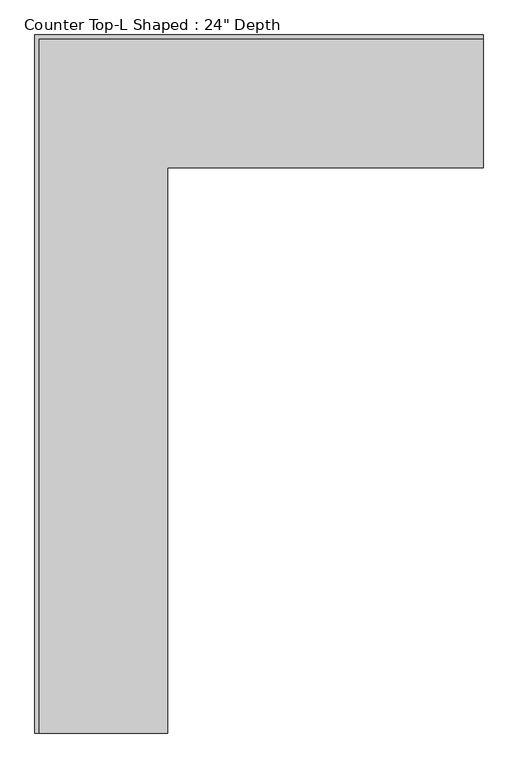
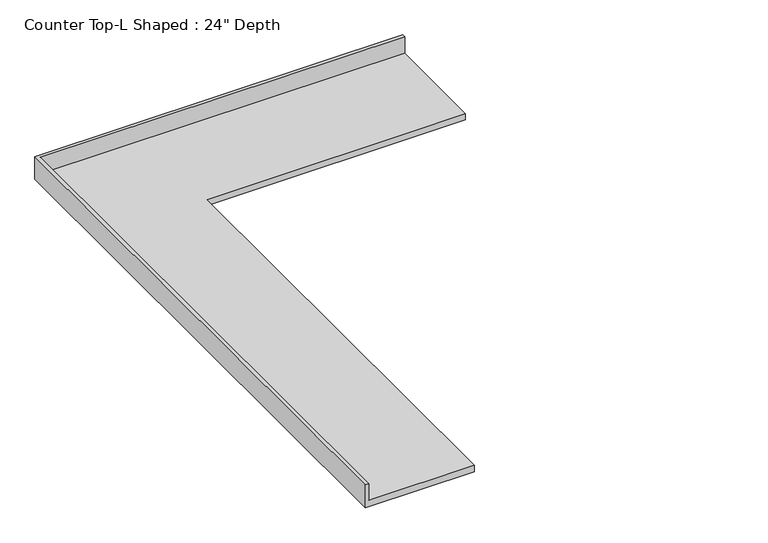
"""IFC4 building model written with IfcOpenShell, lengths in millimetres: furniture geometry."""

from ifc_helpers import new_model, si_unit, origin, place, context, project, spatial, faceted_brep, source, transform, mapped, element, save


def furniture_d4adbcbe(model_context):
    return source(origin(), model_context, "Body", "Brep", [
        faceted_brep([(-565.4622951, -3340.1, 914.4), (-565.4622951, -635.0, 914.4), (945.8377049, -635.0, 914.4), (945.8377049, -19.05, 914.4), (-1181.4122951, -19.05, 914.4), (-1181.4122951, -3340.1, 914.4), (945.8377049, 0.0, 876.3), (945.8377049, -635.0, 876.3), (-565.4622951, -635.0, 876.3), (-565.4622951, -3340.1, 876.3), (-1200.4622951, -3340.1, 876.3), (-1200.4622951, 0.0, 876.3), (-1200.4622951, 0.0, 1016.0), (945.8377049, 0.0, 1016.0), (-1200.4622951, -3340.1, 1016.0), (-1181.4122951, -3340.1, 1016.0), (945.8377049, -19.05, 1016.0), (-1181.4122951, -19.05, 1016.0)], [[[0, 1, 2, 3, 4, 5]], [[6, 7, 8, 9, 10, 11]], [[6, 11, 12, 13]], [[11, 10, 14, 12]], [[14, 10, 9, 0, 5, 15]], [[1, 0, 9, 8]], [[2, 1, 8, 7]], [[7, 6, 13, 16, 3, 2]], [[12, 14, 15, 17, 16, 13]], [[3, 16, 17, 4]], [[17, 15, 5, 4]]]),
    ])


if __name__ == "__main__":
    model = new_model("IFC4")
    model_context = context("Model", 3, world=origin())
    ifc_project = project(units=[si_unit("LENGTHUNIT", "METRE", prefix="MILLI")], contexts=[model_context])
    site = spatial("IfcSite", under=ifc_project)
    building = spatial("IfcBuilding", under=site)
    placement = place(None, origin())
    furniture_shape = furniture_d4adbcbe(model_context)
    element("IfcFurniture", 1, ObjectType="Counter Top-L Shaped : 24\" Depth", at=placement, inside=building, context=model_context, shape_type="MappedRepresentation", body=[
        mapped(furniture_shape, transform((0.0, 0.0, 0.0), x_axis=(1.0, 0.0, 0.0), y_axis=(0.0, 1.0, 0.0), z_axis=(0.0, 0.0, 1.0))),
    ])
    save(model, "model.ifc")
